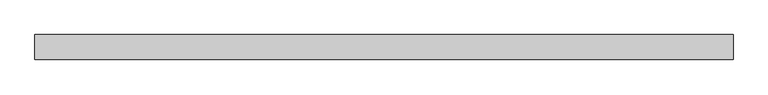
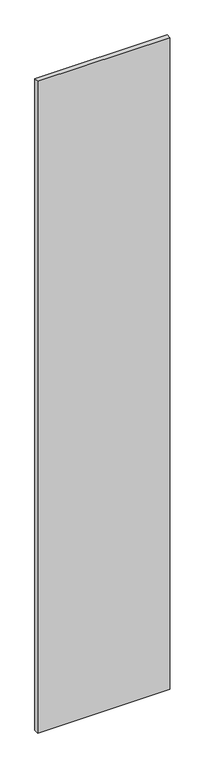
"""IFC4 building model written with IfcOpenShell, lengths in millimetres: proxy geometry."""

from ifc_helpers import new_model, si_unit, origin, origin_with_axes, place, context, project, spatial, polyline, outline, extrude, source, transform, mapped, element, save


def generic_models_824b34cc(model_context):
    return source(origin(), model_context, "Body", "SweptSolid", [
        extrude(outline(polyline([(1400.0, 50.0), (1400.0, 0.0), (0.0, 0.0), (0.0, 50.0), (1400.0, 50.0)])), origin_with_axes(), (0.0, 0.0, 1.0), 7300.0),
    ])


if __name__ == "__main__":
    model = new_model("IFC4")
    model_context = context("Model", 3, world=origin())
    ifc_project = project(units=[si_unit("LENGTHUNIT", "METRE", prefix="MILLI")], contexts=[model_context])
    site = spatial("IfcSite", under=ifc_project)
    building = spatial("IfcBuilding", under=site)
    placement = place(None, origin())
    generic_models_shape = generic_models_824b34cc(model_context)
    element("IfcBuildingElementProxy", 1, Name="Generic Models", at=placement, inside=building, context=model_context, shape_type="MappedRepresentation", body=[
        mapped(generic_models_shape, transform((0.0, 0.0, 0.0), x_axis=(1.0, 0.0, 0.0), y_axis=(0.0, 1.0, 0.0), z_axis=(0.0, 0.0, 1.0))),
    ])
    save(model, "model.ifc")
